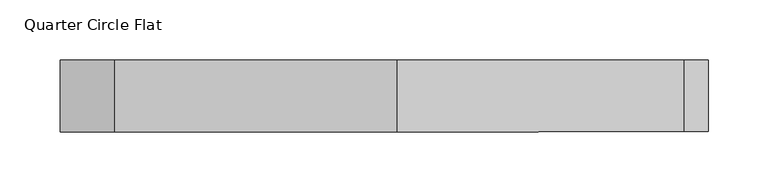
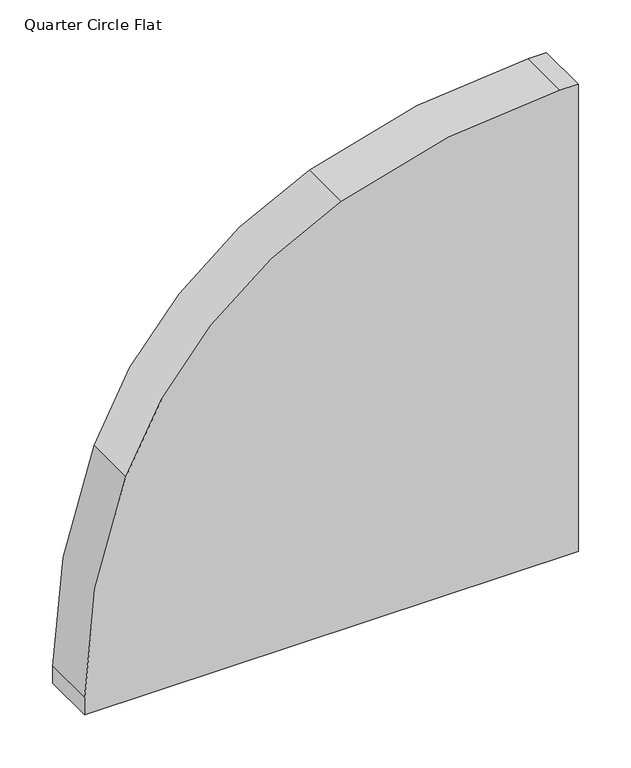
"""IFC4 building model written with IfcOpenShell, lengths in millimetres: furniture geometry, Quarter Circle Flat."""

from ifc_helpers import new_model, si_unit, point, frame, frame_2d, origin, place, context, project, spatial, polyline, circle_curve, trimmed, segment, composite_curve, outline, extrude, source, transform, mapped, element, save


def quarter_circle_flat_c9957791(model_context):
    return source(origin(), model_context, "Body", "SweptSolid", [
        extrude(outline(composite_curve([segment(polyline([(2040.0, 270.0), (2040.0, 250.2887948)]), True, "CONTINUOUS"), segment(trimmed(circle_curve(frame_2d((1380.0347968, 250.2887948)), 659.9652032), [point((2040.0, 250.2887948))], [point((1994.9355419, 10.5991139))], False, "CARTESIAN"), True, "CONTINUOUS"), segment(trimmed(circle_curve(frame_2d((1608.9383015, 161.0616985)), 414.2859628), [point((1994.9355419, 10.5991139))], [point((1759.4008861, -224.9355419))], False, "CARTESIAN"), True, "CONTINUOUS"), segment(trimmed(circle_curve(frame_2d((1519.7112052, 389.9652032)), 659.9652032), [point((1759.4008861, -224.9355419))], [point((1519.7112052, -270.0))], False, "CARTESIAN"), True, "CONTINUOUS"), segment(polyline([(1519.7112052, -270.0), (1500.0, -270.0), (1500.0, 270.0), (2040.0, 270.0)]), True, "CONTINUOUS")], self_intersect=False)), frame((0.0, 0.0, 0.0), z_axis=(0.0, 1.0, 0.0), x_axis=(0.0, 0.0, 1.0)), (0.0, 0.0, 1.0), 60.0),
    ])


if __name__ == "__main__":
    model = new_model("IFC4")
    model_context = context("Model", 3, world=origin())
    ifc_project = project(units=[si_unit("LENGTHUNIT", "METRE", prefix="MILLI")], contexts=[model_context])
    site = spatial("IfcSite", under=ifc_project)
    building = spatial("IfcBuilding", under=site)
    placement = place(None, origin())
    quarter_circle_flat_shape = quarter_circle_flat_c9957791(model_context)
    element("IfcFurniture", 1, ObjectType="Quarter Circle Flat", at=placement, inside=building, context=model_context, shape_type="MappedRepresentation", body=[
        mapped(quarter_circle_flat_shape, transform((0.0, 0.0, 0.0), x_axis=(1.0, 0.0, 0.0), y_axis=(0.0, 1.0, 0.0), z_axis=(0.0, 0.0, 1.0))),
    ])
    save(model, "model.ifc")
